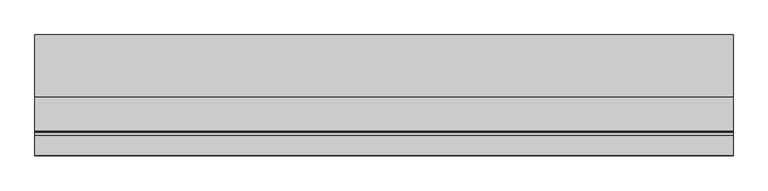
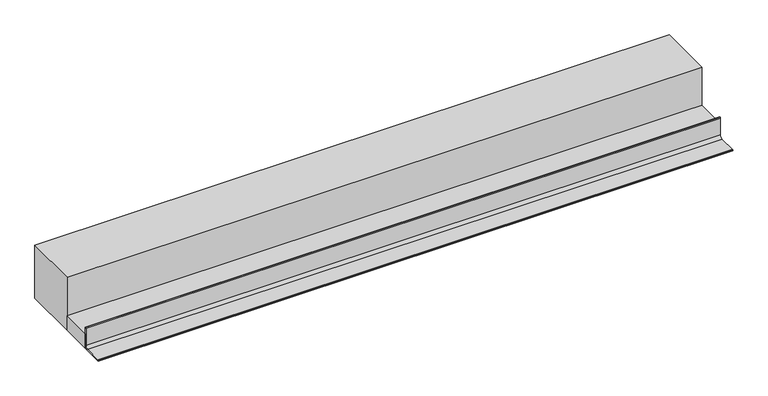
"""IFC4 building model written with IfcOpenShell, lengths in millimetres: beam geometry."""

from ifc_helpers import new_model, si_unit, point, frame, frame_2d, origin, place, context, project, spatial, polyline, circle_curve, trimmed, segment, composite_curve, outline, extrude, source, transform, mapped, element, save


def beam_d0fc3574(model_context):
    return source(origin(), model_context, "Body", "SweptSolid", [
        extrude(outline(composite_curve([segment(polyline([(-5275.0, 2700.0), (-5275.0, 2702.4745866)]), True, "CONTINUOUS"), segment(trimmed(circle_curve(frame_2d((-5272.4745866, 2702.4745866)), 2.5254134), [point((-5275.0, 2702.4745866))], [point((-5272.4745866, 2705.0))], False, "CARTESIAN"), True, "CONTINUOUS"), segment(polyline([(-5272.4745866, 2705.0), (-5193.0410426, 2705.0)]), True, "CONTINUOUS"), segment(trimmed(circle_curve(frame_2d((-5193.0410426, 2718.0410426)), 13.0410426), [point((-5193.0410426, 2705.0))], [point((-5180.0, 2718.0410426))], True, "CARTESIAN"), True, "CONTINUOUS"), segment(polyline([(-5180.0, 2718.0410426), (-5180.0, 2797.211754)]), True, "CONTINUOUS"), segment(trimmed(circle_curve(frame_2d((-5177.211754, 2797.211754)), 2.788246), [point((-5180.0, 2797.211754))], [point((-5177.211754, 2800.0))], False, "CARTESIAN"), True, "CONTINUOUS"), segment(polyline([(-5177.211754, 2800.0), (-5175.0, 2800.0), (-5175.0, 2700.0), (-5275.0, 2700.0)]), True, "CONTINUOUS")], self_intersect=False)), frame((320.0, 0.0, 0.0), z_axis=(1.0, 0.0, 0.0), x_axis=(0.0, 1.0, 0.0)), (0.0, 0.0, 1.0), 2833.3705641),
        extrude(outline(polyline([(320.0, -5175.0), (320.0, -5035.0), (3153.3705641, -5035.0), (3153.3705641, -5175.0), (320.0, -5175.0)])), frame((0.0, 0.0, 2700.0), z_axis=(0.0, 0.0, 1.0), x_axis=(1.0, 0.0, 0.0)), (0.0, 0.0, 1.0), 68.9909984),
        extrude(outline(polyline([(320.0, -5035.0), (320.0, -4785.0), (3153.3705641, -4785.0), (3153.3705641, -5035.0), (320.0, -5035.0)])), frame((0.0, 0.0, 2700.0), z_axis=(0.0, 0.0, 1.0), x_axis=(1.0, 0.0, 0.0)), (0.0, 0.0, 1.0), 250.0),
    ])


if __name__ == "__main__":
    model = new_model("IFC4")
    model_context = context("Model", 3, world=origin())
    ifc_project = project(units=[si_unit("LENGTHUNIT", "METRE", prefix="MILLI")], contexts=[model_context])
    site = spatial("IfcSite", under=ifc_project)
    building = spatial("IfcBuilding", under=site)
    placement = place(None, origin())
    beam_shape = beam_d0fc3574(model_context)
    element("IfcBeam", 1, at=placement, inside=building, context=model_context, shape_type="MappedRepresentation", body=[
        mapped(beam_shape, transform((0.0, 0.0, 0.0), x_axis=(1.0, 0.0, 0.0), y_axis=(0.0, 1.0, 0.0), z_axis=(0.0, 0.0, 1.0))),
    ])
    save(model, "model.ifc")
